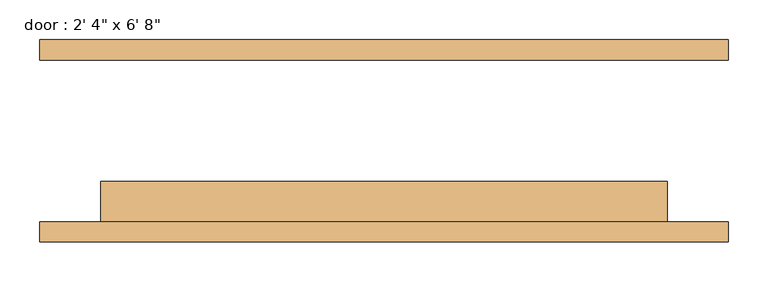
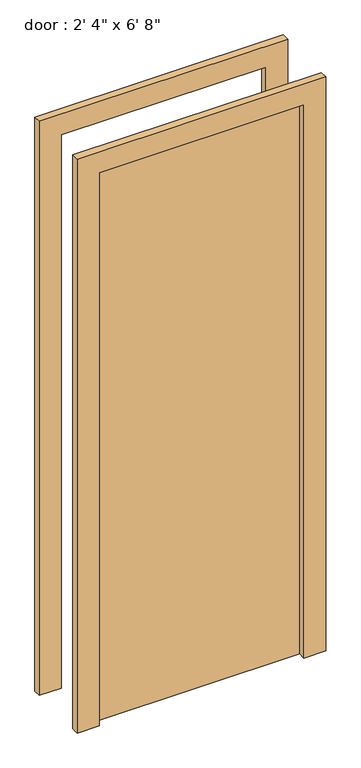
"""IFC4 building model written with IfcOpenShell, lengths in millimetres: door geometry."""

from ifc_helpers import new_model, si_unit, frame, origin, origin_with_axes, place, context, project, spatial, polyline, outline, extrude, source, transform, mapped, element, save


def door_053c12ec(model_context):
    return source(origin(), model_context, "Body", "SweptSolid", [
        extrude(outline(polyline([(2108.2, -431.8), (0.0, -431.8), (0.0, -355.6), (2032.0, -355.6), (2032.0, 355.6), (0.0, 355.6), (0.0, 431.8), (2108.2, 431.8), (2108.2, -431.8)])), frame((0.0, -127.0, 0.0), z_axis=(0.0, 1.0, 0.0), x_axis=(0.0, 0.0, 1.0)), (0.0, 0.0, 1.0), 25.4),
        extrude(outline(polyline([(2108.2, 431.8), (2108.2, -431.8), (0.0, -431.8), (0.0, -355.6), (2032.0, -355.6), (2032.0, 355.6), (0.0, 355.6), (0.0, 431.8), (2108.2, 431.8)])), frame((0.0, 101.6, 0.0), z_axis=(0.0, 1.0, 0.0), x_axis=(0.0, 0.0, 1.0)), (0.0, 0.0, 1.0), 25.4),
        extrude(outline(polyline([(355.6, -50.8), (355.6, -101.6), (-355.6, -101.6), (-355.6, -50.8), (355.6, -50.8)])), origin_with_axes(), (0.0, 0.0, 1.0), 2032.0),
    ])


if __name__ == "__main__":
    model = new_model("IFC4")
    model_context = context("Model", 3, world=origin())
    ifc_project = project(units=[si_unit("LENGTHUNIT", "METRE", prefix="MILLI")], contexts=[model_context])
    site = spatial("IfcSite", under=ifc_project)
    building = spatial("IfcBuilding", under=site)
    placement = place(None, origin())
    door_shape = door_053c12ec(model_context)
    element("IfcDoor", 1, ObjectType="door : 2' 4\" x 6' 8\"", at=placement, inside=building, context=model_context, shape_type="MappedRepresentation", body=[
        mapped(door_shape, transform((0.0, 0.0, 0.0), x_axis=(1.0, 0.0, 0.0), y_axis=(0.0, 1.0, 0.0), z_axis=(0.0, 0.0, 1.0))),
    ])
    save(model, "model.ifc")
